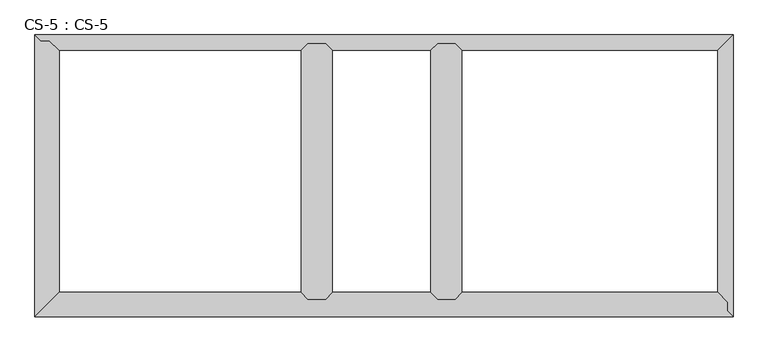
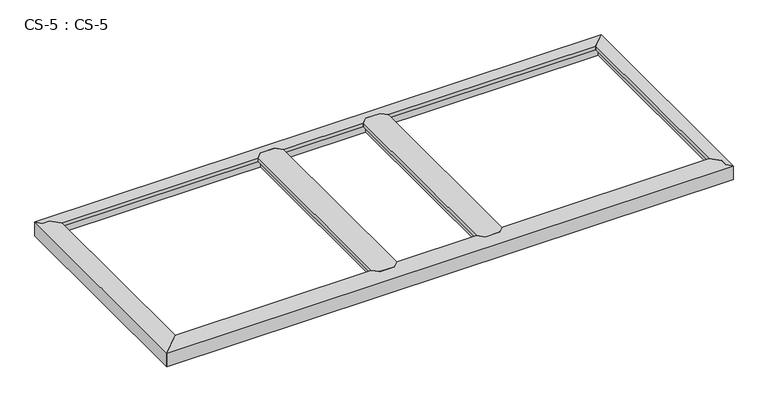
"""IFC4 building model written with IfcOpenShell, lengths in millimetres: proxy geometry, CS-5 : CS-5."""

from ifc_helpers import new_model, si_unit, origin, place, context, project, spatial, faceted_brep, source, transform, mapped, element, save


def cs_5_cs_5_e2ffe111(model_context):
    return source(origin(), model_context, "Body", "Brep", [
        faceted_brep([(1564.64, 1016.0, 46.355), (1564.64, 1016.0, 0.0), (1557.655, 1016.0, 0.0), (1557.655, 1016.0, 63.5), (1505.585, 1016.0, 63.5), (1505.585, 1016.0, 0.0), (1498.6, 1016.0, 0.0), (1498.6, 1016.0, 46.355), (1498.6, 1016.0, 66.675), (1564.64, 1016.0, 66.675), (1498.6, 66.04, 46.355), (1498.6, 66.04, 0.0), (1505.585, 66.04, 0.0), (1505.585, 66.04, 63.5), (1557.655, 66.04, 63.5), (1557.655, 66.04, 0.0), (1564.64, 66.04, 0.0), (1564.64, 66.04, 46.355), (1564.64, 66.04, 66.675), (1498.6, 66.04, 66.675), (1473.962, 90.678, 66.675), (1473.962, 991.362, 66.675), (1473.962, 991.362, 49.8094), (1473.962, 90.678, 49.8094), (1475.486, 992.886, 49.8094), (1475.486, 89.154, 49.8094), (1475.486, 992.886, 64.643), (1475.486, 89.154, 64.643), (1485.773, 1003.173, 64.643), (1485.773, 78.867, 64.643), (1485.773, 1003.173, 46.355), (1485.773, 78.867, 46.355), (1577.467, 1003.173, 46.355), (1577.467, 78.867, 46.355), (1577.467, 1003.173, 64.643), (1577.467, 78.867, 64.643), (1587.754, 992.886, 64.643), (1587.754, 89.154, 64.643), (1587.754, 992.886, 49.8094), (1587.754, 89.154, 49.8094), (1589.278, 991.362, 49.8094), (1589.278, 90.678, 49.8094), (1589.278, 991.362, 66.675), (1589.278, 90.678, 66.675)], [[[0, 1, 2, 3, 4, 5, 6, 7, 8, 9]], [[10, 11, 12, 13, 14, 15, 16, 17, 18, 19]], [[20, 21, 22, 23]], [[23, 22, 24, 25]], [[25, 24, 26, 27]], [[27, 26, 28, 29]], [[29, 28, 30, 31]], [[7, 10, 31, 30]], [[7, 6, 11, 10]], [[6, 5, 12, 11]], [[5, 4, 13, 12]], [[4, 3, 14, 13]], [[3, 2, 15, 14]], [[2, 1, 16, 15]], [[1, 0, 17, 16]], [[17, 0, 32, 33]], [[33, 32, 34, 35]], [[35, 34, 36, 37]], [[37, 36, 38, 39]], [[39, 38, 40, 41]], [[41, 40, 42, 43]], [[9, 8, 21, 20, 19, 18, 43, 42]], [[10, 19, 20, 23, 25, 27, 29, 31]], [[18, 17, 33, 35, 37, 39, 41, 43]], [[0, 9, 42, 40, 38, 36, 34, 32]], [[8, 7, 30, 28, 26, 24, 22, 21]]]),
        faceted_brep([(1082.04, 1016.0, 46.355), (1082.04, 1016.0, 0.0), (1075.055, 1016.0, 0.0), (1075.055, 1016.0, 63.5), (1022.985, 1016.0, 63.5), (1022.985, 1016.0, 0.0), (1016.0, 1016.0, 0.0), (1016.0, 1016.0, 46.355), (1016.0, 1016.0, 66.675), (1082.04, 1016.0, 66.675), (1016.0, 66.04, 46.355), (1016.0, 66.04, 0.0), (1022.985, 66.04, 0.0), (1022.985, 66.04, 63.5), (1075.055, 66.04, 63.5), (1075.055, 66.04, 0.0), (1082.04, 66.04, 0.0), (1082.04, 66.04, 46.355), (1082.04, 66.04, 66.675), (1016.0, 66.04, 66.675), (991.362, 90.678, 66.675), (991.362, 991.362, 66.675), (991.362, 991.362, 49.8094), (991.362, 90.678, 49.8094), (992.886, 992.886, 49.8094), (992.886, 89.154, 49.8094), (992.886, 992.886, 64.643), (992.886, 89.154, 64.643), (1003.173, 1003.173, 64.643), (1003.173, 78.867, 64.643), (1003.173, 1003.173, 46.355), (1003.173, 78.867, 46.355), (1094.867, 1003.173, 46.355), (1094.867, 78.867, 46.355), (1094.867, 1003.173, 64.643), (1094.867, 78.867, 64.643), (1105.154, 992.886, 64.643), (1105.154, 89.154, 64.643), (1105.154, 992.886, 49.8094), (1105.154, 89.154, 49.8094), (1106.678, 991.362, 49.8094), (1106.678, 90.678, 49.8094), (1106.678, 991.362, 66.675), (1106.678, 90.678, 66.675)], [[[0, 1, 2, 3, 4, 5, 6, 7, 8, 9]], [[10, 11, 12, 13, 14, 15, 16, 17, 18, 19]], [[20, 21, 22, 23]], [[23, 22, 24, 25]], [[25, 24, 26, 27]], [[27, 26, 28, 29]], [[29, 28, 30, 31]], [[7, 10, 31, 30]], [[7, 6, 11, 10]], [[6, 5, 12, 11]], [[5, 4, 13, 12]], [[4, 3, 14, 13]], [[3, 2, 15, 14]], [[2, 1, 16, 15]], [[1, 0, 17, 16]], [[17, 0, 32, 33]], [[33, 32, 34, 35]], [[35, 34, 36, 37]], [[37, 36, 38, 39]], [[39, 38, 40, 41]], [[41, 40, 42, 43]], [[9, 8, 21, 20, 19, 18, 43, 42]], [[10, 19, 20, 23, 25, 27, 29, 31]], [[18, 17, 33, 35, 37, 39, 41, 43]], [[0, 9, 42, 40, 38, 36, 34, 32]], [[8, 7, 30, 28, 26, 24, 22, 21]]]),
        faceted_brep([(2598.42, 0.0, 0.0), (0.0, 0.0, 0.0), (6.985, 6.985, 0.0), (2591.435, 6.985, 0.0), (2591.435, 6.985, 63.5), (6.985, 6.985, 63.5), (2576.83, 21.59, 63.5), (59.055, 59.055, 63.5), (2571.3093878, 59.055, 63.5), (2576.83, 53.34, 63.5), (2571.3093878, 59.055, 0.0), (59.055, 59.055, 0.0), (66.04, 66.04, 0.0), (2564.5619728, 66.04, 0.0), (2564.5619728, 66.04, 46.355), (66.04, 66.04, 46.355), (1016.0, 66.04, 46.355), (1016.0, 66.04, 66.675), (1082.04, 66.04, 66.675), (1082.04, 66.04, 46.355), (1498.6, 66.04, 46.355), (1498.6, 66.04, 66.675), (1564.64, 66.04, 66.675), (1564.64, 66.04, 46.355), (2552.1712653, 78.867, 46.355), (1577.467, 78.867, 46.355), (78.867, 78.867, 46.355), (1003.173, 78.867, 46.355), (1485.773, 78.867, 46.355), (1094.867, 78.867, 46.355), (2552.1712653, 78.867, 63.5), (1577.467, 78.867, 63.5), (78.867, 78.867, 63.5), (1003.173, 78.867, 63.5), (1485.773, 78.867, 63.5), (1094.867, 78.867, 63.5), (2542.2341633, 89.154, 63.5), (1587.754, 89.154, 63.5), (89.154, 89.154, 63.5), (992.886, 89.154, 63.5), (1475.486, 89.154, 63.5), (1105.154, 89.154, 63.5), (2542.2341633, 89.154, 49.8094), (1587.754, 89.154, 49.8094), (89.154, 89.154, 49.8094), (992.886, 89.154, 49.8094), (1475.486, 89.154, 49.8094), (1105.154, 89.154, 49.8094), (2540.762, 90.678, 49.8094), (1589.278, 90.678, 49.8094), (90.678, 90.678, 49.8094), (991.362, 90.678, 49.8094), (1473.962, 90.678, 49.8094), (1106.678, 90.678, 49.8094), (2540.762, 90.678, 66.675), (1589.278, 90.678, 66.675), (90.678, 90.678, 66.675), (991.362, 90.678, 66.675), (1473.962, 90.678, 66.675), (1106.678, 90.678, 66.675), (0.0, 0.0, 66.675), (2598.42, 0.0, 66.675), (2576.83, 21.59, 66.675), (2576.83, 53.34, 66.675)], [[[0, 1, 2, 3]], [[4, 3, 2, 5]], [[6, 4, 5, 7, 8, 9]], [[10, 8, 7, 11]], [[12, 13, 10, 11]], [[14, 13, 12, 15, 16, 17, 18, 19, 20, 21, 22, 23]], [[24, 14, 23, 25]], [[15, 26, 27, 16]], [[28, 20, 19, 29]], [[30, 24, 25, 31]], [[26, 32, 33, 27]], [[34, 28, 29, 35]], [[36, 30, 31, 37]], [[32, 38, 39, 33]], [[40, 34, 35, 41]], [[42, 36, 37, 43]], [[38, 44, 45, 39]], [[46, 40, 41, 47]], [[48, 42, 43, 49]], [[44, 50, 51, 45]], [[52, 46, 47, 53]], [[54, 48, 49, 55]], [[50, 56, 57, 51]], [[58, 52, 53, 59]], [[60, 61, 62, 63, 54, 55, 22, 21, 58, 59, 18, 17, 57, 56]], [[1, 0, 61, 60]], [[6, 62, 61, 0, 3, 4]], [[63, 9, 8, 10, 13, 14, 24, 30, 36, 42, 48, 54]], [[62, 6, 9, 63]], [[2, 1, 60, 56, 50, 44, 38, 32, 26, 15, 12, 11, 7, 5]], [[21, 20, 28, 34, 40, 46, 52, 58]], [[23, 22, 55, 49, 43, 37, 31, 25]], [[17, 16, 27, 33, 39, 45, 51, 57]], [[19, 18, 59, 53, 47, 41, 35, 29]]]),
        faceted_brep([(2598.42, 0.0, 66.675), (2598.42, 1049.02, 66.675), (2540.762, 991.362, 66.675), (2540.762, 90.678, 66.675), (2576.83, 53.34, 66.675), (2576.83, 21.59, 66.675), (2598.42, 0.0, 63.5), (2598.42, 1049.02, 63.5), (2576.83, 21.59, 63.5), (2576.83, 53.34, 63.5), (2572.385, 57.9415141, 63.5), (2572.385, 1022.985, 63.5), (2572.385, 1022.985, 0.0), (2572.385, 57.9415141, 0.0), (2565.4, 1016.0, 0.0), (2565.4, 65.1724648, 0.0), (2565.4, 1016.0, 46.355), (2565.4, 65.1724648, 46.355), (2552.573, 1003.173, 46.355), (2552.573, 78.4511197, 46.355), (2552.573, 1003.173, 64.643), (2552.573, 78.4511197, 64.643), (2542.286, 992.886, 64.643), (2542.286, 89.100338, 64.643), (2542.286, 992.886, 49.8094), (2542.286, 89.100338, 49.8094), (2540.762, 991.362, 49.8094), (2540.762, 90.678, 49.8094)], [[[0, 1, 2, 3, 4, 5]], [[1, 0, 6, 7]], [[7, 6, 8, 9, 10, 11]], [[12, 11, 10, 13]], [[14, 12, 13, 15]], [[16, 14, 15, 17]], [[18, 16, 17, 19]], [[20, 18, 19, 21]], [[22, 20, 21, 23]], [[24, 22, 23, 25]], [[26, 24, 25, 27]], [[2, 26, 27, 3]], [[2, 1, 7, 11, 12, 14, 16, 18, 20, 22, 24, 26]], [[8, 5, 4, 9]], [[9, 4, 3, 27, 25, 23, 21, 19, 17, 15, 13, 10]], [[5, 8, 6, 0]]]),
        faceted_brep([(2598.42, 1049.02, 66.675), (0.0, 1049.02, 66.675), (21.59, 1027.43, 66.675), (53.34, 1027.43, 66.675), (90.678, 991.362, 66.675), (991.362, 991.362, 66.675), (1016.0, 1016.0, 66.675), (1082.04, 1016.0, 66.675), (1106.678, 991.362, 66.675), (1473.962, 991.362, 66.675), (1498.6, 1016.0, 66.675), (1564.64, 1016.0, 66.675), (1589.278, 991.362, 66.675), (2540.762, 991.362, 66.675), (2598.42, 1049.02, 63.5), (0.0, 1049.02, 63.5), (2572.385, 1022.985, 63.5), (57.9415141, 1022.985, 63.5), (53.34, 1027.43, 63.5), (21.59, 1027.43, 63.5), (57.9415141, 1022.985, 0.0), (2572.385, 1022.985, 0.0), (2565.4, 1016.0, 0.0), (65.1724648, 1016.0, 0.0), (65.1724648, 1016.0, 46.355), (2565.4, 1016.0, 46.355), (1564.64, 1016.0, 46.355), (1498.6, 1016.0, 46.355), (1082.04, 1016.0, 46.355), (1016.0, 1016.0, 46.355), (78.4511197, 1003.173, 46.355), (1003.173, 1003.173, 46.355), (2552.573, 1003.173, 46.355), (1577.467, 1003.173, 46.355), (1094.867, 1003.173, 46.355), (1485.773, 1003.173, 46.355), (78.4511197, 1003.173, 64.643), (1003.173, 1003.173, 64.643), (2552.573, 1003.173, 64.643), (1577.467, 1003.173, 64.643), (1094.867, 1003.173, 64.643), (1485.773, 1003.173, 64.643), (89.100338, 992.886, 64.643), (992.886, 992.886, 64.643), (2542.286, 992.886, 64.643), (1587.754, 992.886, 64.643), (1105.154, 992.886, 64.643), (1475.486, 992.886, 64.643), (89.100338, 992.886, 49.8094), (992.886, 992.886, 49.8094), (2542.286, 992.886, 49.8094), (1587.754, 992.886, 49.8094), (1105.154, 992.886, 49.8094), (1475.486, 992.886, 49.8094), (90.678, 991.362, 49.8094), (991.362, 991.362, 49.8094), (2540.762, 991.362, 49.8094), (1589.278, 991.362, 49.8094), (1106.678, 991.362, 49.8094), (1473.962, 991.362, 49.8094)], [[[0, 1, 2, 3, 4, 5, 6, 7, 8, 9, 10, 11, 12, 13]], [[1, 0, 14, 15]], [[15, 14, 16, 17, 18, 19]], [[20, 17, 16, 21]], [[22, 23, 20, 21]], [[24, 23, 22, 25, 26, 11, 10, 27, 28, 7, 6, 29]], [[30, 24, 29, 31]], [[25, 32, 33, 26]], [[34, 28, 27, 35]], [[36, 30, 31, 37]], [[32, 38, 39, 33]], [[40, 34, 35, 41]], [[42, 36, 37, 43]], [[38, 44, 45, 39]], [[46, 40, 41, 47]], [[48, 42, 43, 49]], [[44, 50, 51, 45]], [[52, 46, 47, 53]], [[54, 48, 49, 55]], [[50, 56, 57, 51]], [[58, 52, 53, 59]], [[4, 54, 55, 5]], [[56, 13, 12, 57]], [[8, 58, 59, 9]], [[19, 2, 1, 15]], [[3, 18, 17, 20, 23, 24, 30, 36, 42, 48, 54, 4]], [[2, 19, 18, 3]], [[0, 13, 56, 50, 44, 38, 32, 25, 22, 21, 16, 14]], [[7, 28, 34, 40, 46, 52, 58, 8]], [[29, 6, 5, 55, 49, 43, 37, 31]], [[11, 26, 33, 39, 45, 51, 57, 12]], [[27, 10, 9, 59, 53, 47, 41, 35]]]),
        faceted_brep([(0.0, 0.0, 0.0), (0.0, 1049.02, 0.0), (6.985, 1042.035, 0.0), (6.985, 6.985, 0.0), (6.985, 6.985, 63.5), (6.985, 1042.035, 63.5), (59.055, 59.055, 63.5), (21.59, 1027.43, 63.5), (53.34, 1027.43, 63.5), (59.055, 1021.9093878, 63.5), (59.055, 59.055, 0.0), (59.055, 1021.9093878, 0.0), (66.04, 66.04, 0.0), (66.04, 1015.1619728, 0.0), (66.04, 66.04, 46.355), (66.04, 1015.1619728, 46.355), (78.867, 78.867, 46.355), (78.867, 1002.7712653, 46.355), (78.867, 78.867, 63.5), (78.867, 1002.7712653, 63.5), (89.154, 89.154, 63.5), (89.154, 992.8341633, 63.5), (89.154, 89.154, 49.8094), (89.154, 992.8341633, 49.8094), (90.678, 90.678, 49.8094), (90.678, 991.362, 49.8094), (90.678, 90.678, 66.675), (90.678, 991.362, 66.675), (0.0, 1049.02, 66.675), (0.0, 0.0, 66.675), (53.34, 1027.43, 66.675), (21.59, 1027.43, 66.675)], [[[0, 1, 2, 3]], [[4, 3, 2, 5]], [[6, 4, 5, 7, 8, 9]], [[10, 6, 9, 11]], [[12, 10, 11, 13]], [[14, 12, 13, 15]], [[16, 14, 15, 17]], [[18, 16, 17, 19]], [[20, 18, 19, 21]], [[22, 20, 21, 23]], [[24, 22, 23, 25]], [[26, 24, 25, 27]], [[28, 29, 26, 27, 30, 31]], [[1, 0, 29, 28]], [[0, 3, 4, 6, 10, 12, 14, 16, 18, 20, 22, 24, 26, 29]], [[7, 31, 30, 8]], [[8, 30, 27, 25, 23, 21, 19, 17, 15, 13, 11, 9]], [[31, 7, 5, 2, 1, 28]]]),
    ])


if __name__ == "__main__":
    model = new_model("IFC4")
    model_context = context("Model", 3, world=origin())
    ifc_project = project(units=[si_unit("LENGTHUNIT", "METRE", prefix="MILLI")], contexts=[model_context])
    site = spatial("IfcSite", under=ifc_project)
    building = spatial("IfcBuilding", under=site)
    placement = place(None, origin())
    cs_5_cs_5_shape = cs_5_cs_5_e2ffe111(model_context)
    element("IfcBuildingElementProxy", 1, Name="CS-5 : CS-5", ObjectType="CS-5 : CS-5", at=placement, inside=building, context=model_context, shape_type="MappedRepresentation", body=[
        mapped(cs_5_cs_5_shape, transform((0.0, 0.0, 0.0), x_axis=(1.0, 0.0, 0.0), y_axis=(0.0, 1.0, 0.0), z_axis=(0.0, 0.0, 1.0))),
    ])
    save(model, "model.ifc")
